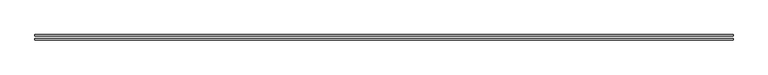
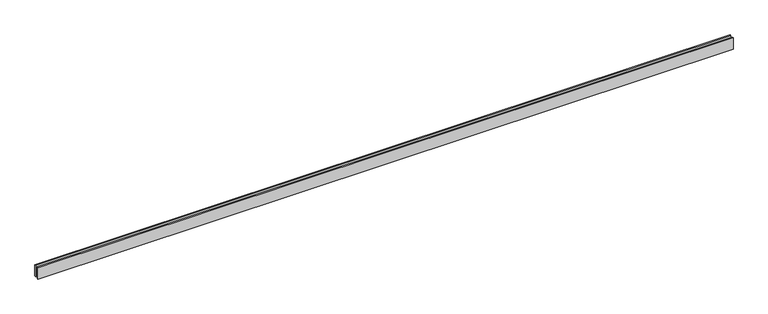
"""IFC4 building model written with IfcOpenShell, lengths in millimetres: proxy geometry."""

from ifc_helpers import new_model, si_unit, origin, origin_with_axes, place, context, project, spatial, polyline, outline, extrude, source, transform, mapped, element, save


def generic_models_e18ec9fe(model_context):
    return source(origin(), model_context, "Body", "SweptSolid", [
        extrude(outline(polyline([(14424.2640687, 25.0), (0.0, 25.0), (0.0, 55.0), (14424.2640687, 55.0), (14424.2640687, 25.0)])), origin_with_axes(), (0.0, 0.0, 1.0), 250.0),
        extrude(outline(polyline([(14424.2640687, -55.0), (0.0, -55.0), (0.0, -25.0), (14424.2640687, -25.0), (14424.2640687, -55.0)])), origin_with_axes(), (0.0, 0.0, 1.0), 250.0),
    ])


if __name__ == "__main__":
    model = new_model("IFC4")
    model_context = context("Model", 3, world=origin())
    ifc_project = project(units=[si_unit("LENGTHUNIT", "METRE", prefix="MILLI")], contexts=[model_context])
    site = spatial("IfcSite", under=ifc_project)
    building = spatial("IfcBuilding", under=site)
    placement = place(None, origin())
    generic_models_shape = generic_models_e18ec9fe(model_context)
    element("IfcBuildingElementProxy", 1, Name="Generic Models", at=placement, inside=building, context=model_context, shape_type="MappedRepresentation", body=[
        mapped(generic_models_shape, transform((0.0, 0.0, 0.0), x_axis=(1.0, 0.0, 0.0), y_axis=(0.0, 1.0, 0.0), z_axis=(0.0, 0.0, 1.0))),
    ])
    save(model, "model.ifc")
